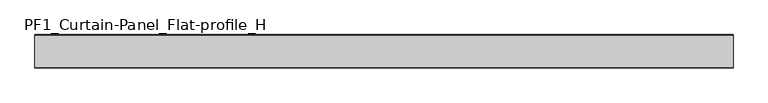
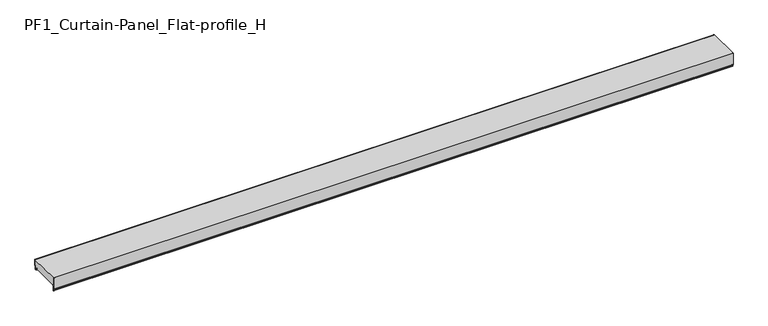
"""IFC4 building model written with IfcOpenShell, lengths in millimetres: plate geometry, PF1_Curtain-Panel_Flat-profile_H."""

import ifcopenshell
import ifcopenshell.guid

model = None  # the IFC model being written
_history = None  # IfcOwnerHistory: only IFC2X3 demands one
_inside = {}  # id of a spatial element -> (the spatial element, [elements in it])
_under = {}  # id of a project, library or spatial element -> (it, [spatial elements below it])
_declared = {}  # id of a project -> (the project, [libraries it declares])
_typed = {}  # id of a type object -> (the type object, [elements of that type])
_made_of = {}  # id of a material, layer set ... -> (it, [elements and type objects made of it])


def new_model(schema):
    """Start an empty IFC model of exactly this schema.

    Asked for "IFC4X3", IfcOpenShell would pick the latest addendum, in which some entities
    have other attributes; the version numbers below select the first issue.
    IFC2X3 requires an IfcOwnerHistory on every rooted entity: one is made here for all.
    """
    global model, _history
    if schema == "IFC4X3":
        model = ifcopenshell.file(schema_version=(4, 3, 0, 0))
    else:
        model = ifcopenshell.file(schema=schema)
    _inside.clear()
    _under.clear()
    _declared.clear()
    _typed.clear()
    _made_of.clear()
    _history = None
    if model.schema == "IFC2X3":
        org = make("IfcOrganization", Name="unknown")
        user = make(
            "IfcPersonAndOrganization",
            ThePerson=make("IfcPerson", FamilyName="unknown"),
            TheOrganization=org,
        )
        app = make(
            "IfcApplication",
            ApplicationDeveloper=org,
            Version="unknown",
            ApplicationFullName="unknown",
            ApplicationIdentifier="unknown",
        )
        _history = make(
            "IfcOwnerHistory",
            OwningUser=user,
            OwningApplication=app,
            ChangeAction="ADDED",
            CreationDate=0,
        )
    return model


def make(cls, **values):
    """One entity of the class cls with the attributes given. An attribute that is None is left unset."""
    return model.create_entity(
        cls, **{name: value for name, value in values.items() if value is not None}
    )


def rooted(cls, **values):
    """An entity with a GlobalId (a new one), such as an element, a storey or a relation."""
    return make(cls, GlobalId=ifcopenshell.guid.new(), OwnerHistory=_history, **values)


def si_unit(unit_type, name, prefix=None):
    """IfcSIUnit, for example si_unit("LENGTHUNIT", "METRE", prefix="MILLI")."""
    return make("IfcSIUnit", UnitType=unit_type, Prefix=prefix, Name=name)


def assignment(units):
    """IfcUnitAssignment: the units of a project."""
    return None if units is None else make("IfcUnitAssignment", Units=units)


def point(xyz):
    """IfcCartesianPoint."""
    return None if xyz is None else make("IfcCartesianPoint", Coordinates=xyz)


def direction(xyz):
    """IfcDirection."""
    return None if xyz is None else make("IfcDirection", DirectionRatios=xyz)


def frame(location, z_axis=None, x_axis=None):
    """IfcAxis2Placement3D, a coordinate frame: its origin and axes. An axis left out is left unset."""
    return make(
        "IfcAxis2Placement3D",
        Location=point(location),
        Axis=direction(z_axis),
        RefDirection=direction(x_axis),
    )


def frame_2d(location, x_axis=None):
    """IfcAxis2Placement2D, a coordinate frame in the plane: its origin and x axis."""
    return make(
        "IfcAxis2Placement2D", Location=point(location), RefDirection=direction(x_axis)
    )


def origin():
    """The frame at (0, 0, 0) with its axes left unset."""
    return frame((0.0, 0.0, 0.0))


def place(relative_to, where):
    """IfcLocalPlacement: puts the frame where relative to a parent placement (None: the world)."""
    return make(
        "IfcLocalPlacement", PlacementRelTo=relative_to, RelativePlacement=where
    )


def context(
    kind, dimensions, precision=None, world=None, true_north=None, identifier=None
):
    """IfcGeometricRepresentationContext, for example the 3D "Model" context."""
    return make(
        "IfcGeometricRepresentationContext",
        ContextIdentifier=identifier,
        ContextType=kind,
        CoordinateSpaceDimension=dimensions,
        Precision=precision,
        WorldCoordinateSystem=world,
        TrueNorth=true_north,
    )


def project(units=None, contexts=None):
    """IfcProject with its units and contexts."""
    return rooted(
        "IfcProject",
        Name="project",
        RepresentationContexts=contexts,
        UnitsInContext=assignment(units),
    )


def spatial(cls, under=None, at=None, **own):
    """A site, building, storey or space (cls), placed at a placement, below another one or the project."""
    s = rooted(cls, ObjectPlacement=at, **own)
    if under is not None:
        _under.setdefault(under.id(), (under, []))[1].append(s)
    return s


def polyline(points):
    """IfcPolyline through the points."""
    return make("IfcPolyline", Points=[point(p) for p in points])


def circle_curve(where, radius):
    """IfcCircle in the frame where."""
    return make("IfcCircle", Position=where, Radius=radius)


def trimmed(basis, trim1, trim2, sense, master):
    """IfcTrimmedCurve: the piece of a basis curve between two trims."""
    return make(
        "IfcTrimmedCurve",
        BasisCurve=basis,
        Trim1=trim1,
        Trim2=trim2,
        SenseAgreement=sense,
        MasterRepresentation=master,
    )


def segment(curve, same_sense, transition):
    """IfcCompositeCurveSegment."""
    return make(
        "IfcCompositeCurveSegment",
        Transition=transition,
        SameSense=same_sense,
        ParentCurve=curve,
    )


def composite_curve(segments, self_intersect=None):
    """IfcCompositeCurve: segments joined end to end."""
    return make("IfcCompositeCurve", Segments=segments, SelfIntersect=self_intersect)


def outline(outer, holes=None, kind="AREA"):
    """IfcArbitraryClosedProfileDef: a profile drawn as a closed curve; with holes, ...WithVoids."""
    if holes is None:
        return make("IfcArbitraryClosedProfileDef", ProfileType=kind, OuterCurve=outer)
    return make(
        "IfcArbitraryProfileDefWithVoids",
        ProfileType=kind,
        OuterCurve=outer,
        InnerCurves=holes,
    )


def extrude(swept, where, along, depth):
    """IfcExtrudedAreaSolid: the profile swept, set in the frame where, extruded along a direction by depth."""
    return make(
        "IfcExtrudedAreaSolid",
        SweptArea=swept,
        Position=where,
        ExtrudedDirection=direction(along),
        Depth=depth,
    )


def shape(context_of_items, identifier, shape_type, items):
    """IfcShapeRepresentation: the items that make up one representation, for example the "Body"."""
    return make(
        "IfcShapeRepresentation",
        ContextOfItems=context_of_items,
        RepresentationIdentifier=identifier,
        RepresentationType=shape_type,
        Items=items,
    )


def source(mapping_origin, context_of_items, identifier, shape_type, items):
    """IfcRepresentationMap: a shape defined once, which mapped items show again and again."""
    return make(
        "IfcRepresentationMap",
        MappingOrigin=mapping_origin,
        MappedRepresentation=shape(context_of_items, identifier, shape_type, items),
    )


def transform(
    local_origin,
    x_axis=None,
    y_axis=None,
    z_axis=None,
    scale=None,
    scale2=None,
    scale3=None,
    uniform=True,
):
    """IfcCartesianTransformationOperator3D, or its non-uniform kind. x_axis, y_axis, z_axis: its Axis1, 2, 3."""
    if uniform:
        return make(
            "IfcCartesianTransformationOperator3D",
            Axis1=direction(x_axis),
            Axis2=direction(y_axis),
            LocalOrigin=point(local_origin),
            Scale=scale,
            Axis3=direction(z_axis),
        )
    return make(
        "IfcCartesianTransformationOperator3DnonUniform",
        Axis1=direction(x_axis),
        Axis2=direction(y_axis),
        LocalOrigin=point(local_origin),
        Scale=scale,
        Axis3=direction(z_axis),
        Scale2=scale2,
        Scale3=scale3,
    )


def mapped(mapping_source, mapping_target):
    """IfcMappedItem: shows the shape of a source again, moved by a transform."""
    return make(
        "IfcMappedItem", MappingSource=mapping_source, MappingTarget=mapping_target
    )


def made_of(thing, what):
    """Note that an element or type object is made of a material, layer set ...; save() writes the relation."""
    if what is not None:
        _made_of.setdefault(what.id(), (what, []))[1].append(thing)
    return thing


def element(
    cls,
    number,
    at=None,
    inside=None,
    cuts=None,
    type_object=None,
    material=None,
    context=None,
    identifier="Body",
    shape_type=None,
    held_by="IfcProductDefinitionShape",
    body=None,
    shapes=None,
    **own,
):
    """One element of the class cls, such as IfcWall. Its Tag is "e" and its number.

    at: its placement. inside: the storey or other place that contains it. cuts: it is an
    opening in that element (IfcRelVoidsElement). A single representation is given by context,
    identifier, shape_type and body (its items); several are given by shapes. held_by: the class
    of the entity that holds the representations. save() writes the other relations.
    """
    e = rooted(cls, Tag="e%d" % number, ObjectPlacement=at, **own)
    if body is not None:
        shapes = [shape(context, identifier, shape_type, body)]
    if shapes is not None:
        e.Representation = make(held_by, Representations=shapes)
    if inside is not None:
        _inside.setdefault(inside.id(), (inside, []))[1].append(e)
    if cuts is not None:
        rooted(
            "IfcRelVoidsElement", RelatingBuildingElement=cuts, RelatedOpeningElement=e
        )
    if type_object is not None:
        _typed.setdefault(type_object.id(), (type_object, []))[1].append(e)
    return made_of(e, material)


def aggregate(whole, parts):
    """IfcRelAggregates: a whole, such as a stair, and the parts it consists of."""
    return rooted("IfcRelAggregates", RelatingObject=whole, RelatedObjects=parts)


def save(model, path):
    """Write the relations noted so far, then the file.

    IfcRelAggregates (storeys below a building ...), IfcRelContainedInSpatialStructure (elements
    in a storey), IfcRelDefinesByType, IfcRelAssociatesMaterial and IfcRelDeclares: one each for
    every whole, place, type object, material and project.
    """
    for whole, parts in _under.values():
        aggregate(whole, parts)
    for where, things in _inside.values():
        rooted(
            "IfcRelContainedInSpatialStructure",
            RelatedElements=things,
            RelatingStructure=where,
        )
    for kind, things in _typed.values():
        rooted("IfcRelDefinesByType", RelatedObjects=things, RelatingType=kind)
    for what, things in _made_of.values():
        rooted("IfcRelAssociatesMaterial", RelatedObjects=things, RelatingMaterial=what)
    for by, libraries in _declared.values():
        rooted("IfcRelDeclares", RelatingContext=by, RelatedDefinitions=libraries)
    model.write(path)


def pf1_curtain_panel_flat_profile_h_4917f326(model_context):
    return source(origin(), model_context, "Body", "SweptSolid", [
        extrude(outline(composite_curve([segment(polyline([(-15.878557, 0.0), (-20.0, 0.0), (-20.0, 0.8), (-15.878557, 0.8)]), True, "CONTINUOUS"), segment(trimmed(circle_curve(frame_2d((-15.878557, -2.0)), 2.8), [point((-15.878557, 0.8))], [point((-13.1503208, -1.370137))], False, "CARTESIAN"), True, "CONTINUOUS"), segment(polyline([(-13.1503208, -1.370137), (-11.728236, -7.529863)]), True, "CONTINUOUS"), segment(trimmed(circle_curve(frame_2d((-9.0, -6.9)), 2.8), [point((-11.728236, -7.529863))], [point((-6.2, -6.9))], True, "CARTESIAN"), True, "CONTINUOUS"), segment(polyline([(-6.2, -6.9), (-6.2, 8.6)]), True, "CONTINUOUS"), segment(trimmed(circle_curve(frame_2d((-3.4, 8.6)), 2.8), [point((-6.2, 8.6))], [point((-3.4, 11.4))], False, "CARTESIAN"), True, "CONTINUOUS"), segment(polyline([(-3.4, 11.4), (-2.0, 11.4)]), True, "CONTINUOUS"), segment(trimmed(circle_curve(frame_2d((-2.0, 12.6)), 1.2), [point((-2.0, 11.4))], [point((-0.8, 12.6))], True, "CARTESIAN"), True, "CONTINUOUS"), segment(polyline([(-0.8, 12.6), (-0.8, 50.0), (0.0, 50.0), (0.0, 12.6)]), True, "CONTINUOUS"), segment(trimmed(circle_curve(frame_2d((-2.0, 12.6)), 2.0), [point((0.0, 12.6))], [point((-2.0, 10.6))], False, "CARTESIAN"), True, "CONTINUOUS"), segment(polyline([(-2.0, 10.6), (-3.4, 10.6)]), True, "CONTINUOUS"), segment(trimmed(circle_curve(frame_2d((-3.4, 8.6)), 2.0), [point((-3.4, 10.6))], [point((-5.4, 8.6))], True, "CARTESIAN"), True, "CONTINUOUS"), segment(polyline([(-5.4, 8.6), (-5.4, -6.9)]), True, "CONTINUOUS"), segment(trimmed(circle_curve(frame_2d((-9.0, -6.9)), 3.6), [point((-5.4, -6.9))], [point((-12.5077322, -7.7098239))], False, "CARTESIAN"), True, "CONTINUOUS"), segment(polyline([(-12.5077322, -7.7098239), (-13.929817, -1.5500979)]), True, "CONTINUOUS"), segment(trimmed(circle_curve(frame_2d((-15.878557, -2.0)), 2.0), [point((-13.929817, -1.5500979))], [point((-15.878557, 0.0))], True, "CARTESIAN"), True, "CONTINUOUS")], self_intersect=False)), frame((-2100.0, 0.0, 0.0), z_axis=(1.0, 0.0, 0.0), x_axis=(0.0, 1.0, 0.0)), (0.0, 0.0, 1.0), 4200.0),
        extrude(outline(composite_curve([segment(polyline([(-190.0, 0.0), (-193.5, 0.0)]), True, "CONTINUOUS"), segment(trimmed(circle_curve(frame_2d((-193.5, -2.0)), 2.0), [point((-193.5, 0.0))], [point((-195.5, -2.0))], True, "CARTESIAN"), True, "CONTINUOUS"), segment(polyline([(-195.5, -2.0), (-195.5, -33.0)]), True, "CONTINUOUS"), segment(trimmed(circle_curve(frame_2d((-196.5, -33.0)), 1.0), [point((-195.5, -33.0))], [point((-197.5, -33.0))], False, "CARTESIAN"), True, "CONTINUOUS"), segment(polyline([(-197.5, -33.0), (-197.5, -26.9)]), True, "CONTINUOUS"), segment(trimmed(circle_curve(frame_2d((-198.4, -26.9)), 0.9), [point((-197.5, -26.9))], [point((-198.4, -26.0))], True, "CARTESIAN"), True, "CONTINUOUS"), segment(trimmed(circle_curve(frame_2d((-198.4, -24.4)), 1.6), [point((-198.4, -26.0))], [point((-200.0, -24.4))], False, "CARTESIAN"), True, "CONTINUOUS"), segment(polyline([(-200.0, -24.4), (-200.0, 50.0), (-199.2, 50.0), (-199.2, -24.4)]), True, "CONTINUOUS"), segment(trimmed(circle_curve(frame_2d((-198.4, -24.4)), 0.8), [point((-199.2, -24.4))], [point((-198.4, -25.2))], True, "CARTESIAN"), True, "CONTINUOUS"), segment(trimmed(circle_curve(frame_2d((-198.6133333, -26.9)), 1.7133333), [point((-198.4, -25.2))], [point((-196.9, -26.9))], False, "CARTESIAN"), True, "CONTINUOUS"), segment(polyline([(-196.9, -26.9), (-196.9, -32.8700312)]), True, "CONTINUOUS"), segment(trimmed(circle_curve(frame_2d((-196.6, -32.8700312)), 0.3), [point((-196.9, -32.8700312))], [point((-196.3, -32.8700312))], True, "CARTESIAN"), True, "CONTINUOUS"), segment(polyline([(-196.3, -32.8700312), (-196.3, -2.0)]), True, "CONTINUOUS"), segment(trimmed(circle_curve(frame_2d((-193.5, -2.0)), 2.8), [point((-196.3, -2.0))], [point((-193.5, 0.8))], False, "CARTESIAN"), True, "CONTINUOUS"), segment(polyline([(-193.5, 0.8), (-190.0, 0.8), (-190.0, 0.0)]), True, "CONTINUOUS")], self_intersect=False)), frame((-2100.0, 0.0, 0.0), z_axis=(1.0, 0.0, 0.0), x_axis=(0.0, 1.0, 0.0)), (0.0, 0.0, 1.0), 4200.0),
        extrude(outline(composite_curve([segment(polyline([(-190.0, 0.8), (-193.5, 0.8)]), True, "CONTINUOUS"), segment(trimmed(circle_curve(frame_2d((-193.5, -2.0)), 2.8), [point((-193.5, 0.8))], [point((-196.3, -2.0))], True, "CARTESIAN"), True, "CONTINUOUS"), segment(polyline([(-196.3, -2.0), (-196.3, -32.8700312)]), True, "CONTINUOUS"), segment(trimmed(circle_curve(frame_2d((-196.6, -32.8700312)), 0.3), [point((-196.3, -32.8700312))], [point((-196.9, -32.8700312))], False, "CARTESIAN"), True, "CONTINUOUS"), segment(polyline([(-196.9, -32.8700312), (-196.9, -26.9)]), True, "CONTINUOUS"), segment(trimmed(circle_curve(frame_2d((-198.6133333, -26.9)), 1.7133333), [point((-196.9, -26.9))], [point((-198.4, -25.2))], True, "CARTESIAN"), True, "CONTINUOUS"), segment(trimmed(circle_curve(frame_2d((-198.4, -24.4)), 0.8), [point((-198.4, -25.2))], [point((-199.2, -24.4))], False, "CARTESIAN"), True, "CONTINUOUS"), segment(polyline([(-199.2, -24.4), (-199.2, 50.0), (-0.8, 50.0), (-0.8, 12.6)]), True, "CONTINUOUS"), segment(trimmed(circle_curve(frame_2d((-2.0, 12.6)), 1.2), [point((-0.8, 12.6))], [point((-2.0, 11.4))], False, "CARTESIAN"), True, "CONTINUOUS"), segment(polyline([(-2.0, 11.4), (-3.4, 11.4)]), True, "CONTINUOUS"), segment(trimmed(circle_curve(frame_2d((-3.4, 8.6)), 2.8), [point((-3.4, 11.4))], [point((-6.2, 8.6))], True, "CARTESIAN"), True, "CONTINUOUS"), segment(polyline([(-6.2, 8.6), (-6.2, -6.9)]), True, "CONTINUOUS"), segment(trimmed(circle_curve(frame_2d((-9.0, -6.9)), 2.8), [point((-6.2, -6.9))], [point((-11.7282362, -7.529863))], False, "CARTESIAN"), True, "CONTINUOUS"), segment(polyline([(-11.7282362, -7.529863), (-13.1503208, -1.370137)]), True, "CONTINUOUS"), segment(trimmed(circle_curve(frame_2d((-15.878557, -2.0)), 2.8), [point((-13.1503208, -1.370137))], [point((-15.878557, 0.8))], True, "CARTESIAN"), True, "CONTINUOUS"), segment(polyline([(-15.878557, 0.8), (-20.0, 0.8), (-20.0, 0.0), (-190.0, 0.0), (-190.0, 0.8)]), True, "CONTINUOUS")], self_intersect=False)), frame((-2100.0, 0.0, 0.0), z_axis=(1.0, 0.0, 0.0), x_axis=(0.0, 1.0, 0.0)), (0.0, 0.0, 1.0), 4200.0),
    ])


if __name__ == "__main__":
    model = new_model("IFC4")
    model_context = context("Model", 3, world=origin())
    ifc_project = project(units=[si_unit("LENGTHUNIT", "METRE", prefix="MILLI")], contexts=[model_context])
    site = spatial("IfcSite", under=ifc_project)
    building = spatial("IfcBuilding", under=site)
    placement = place(None, origin())
    pf1_curtain_panel_flat_profile_h_shape = pf1_curtain_panel_flat_profile_h_4917f326(model_context)
    element("IfcPlate", 1, ObjectType="PF1_Curtain-Panel_Flat-profile_H", at=placement, inside=building, context=model_context, shape_type="MappedRepresentation", body=[
        mapped(pf1_curtain_panel_flat_profile_h_shape, transform((0.0, 0.0, 0.0), x_axis=(1.0, 0.0, 0.0), y_axis=(0.0, 1.0, 0.0), z_axis=(0.0, 0.0, 1.0))),
    ])
    save(model, "model.ifc")
